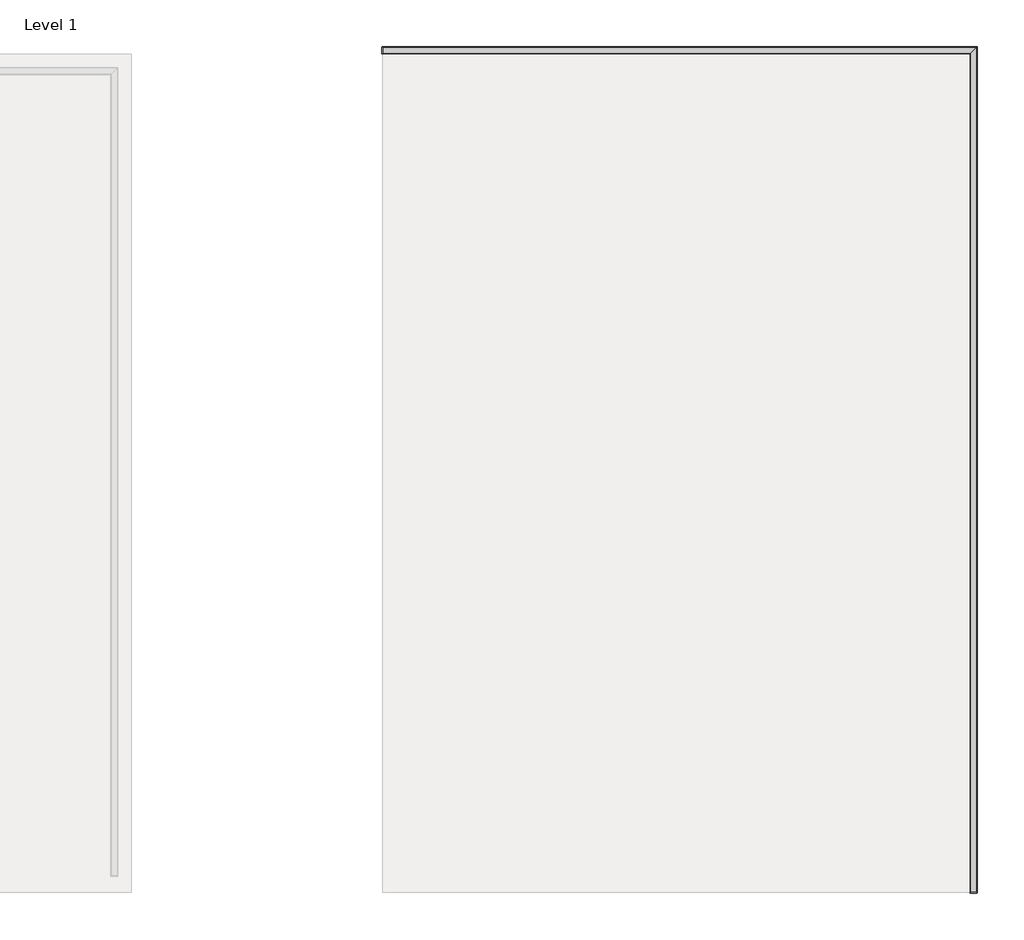
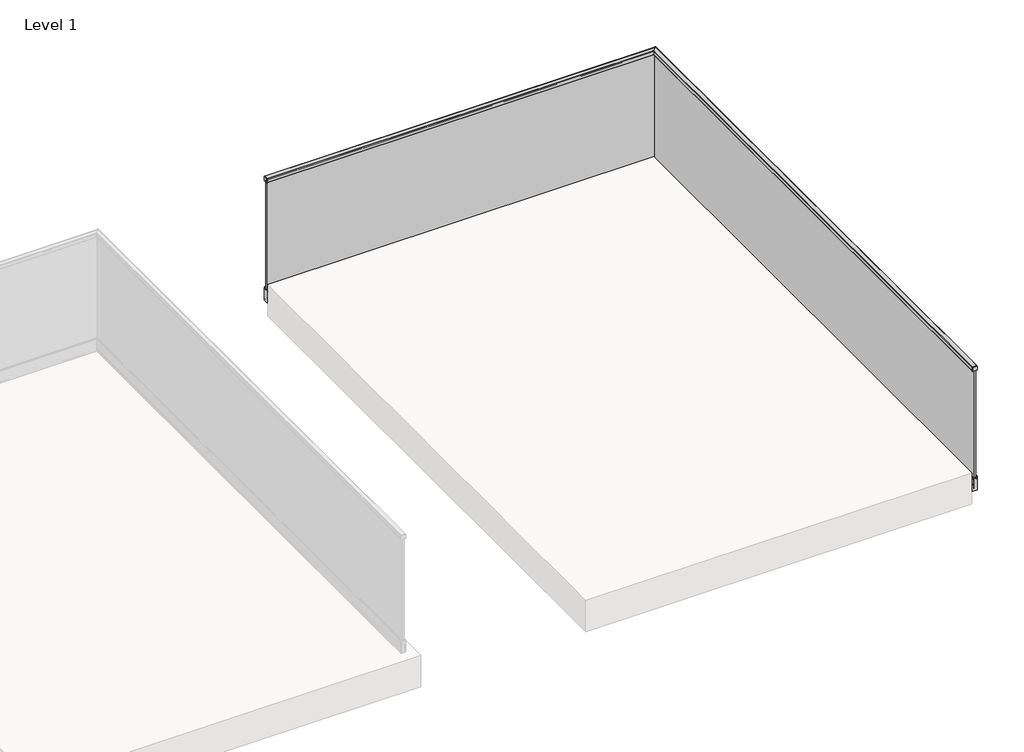
# One storey, part 7 of 11: 1 railing.
"""IFC4 building model written with IfcOpenShell, lengths in millimetres."""

from ifc_helpers import new_model, si_unit, frame, origin, place, context, project, spatial, polyline, circle_curve, ellipse_curve, outline, extrude, faceted_brep, element, save
from ifc_brep_helpers import plane_surface, cylinder_surface, revolved_surface, advanced_brep

model = new_model("IFC4")

# Units and contexts
model_context = context("Model", 3, world=origin())
ifc_project = project(units=[si_unit("LENGTHUNIT", "METRE", prefix="MILLI")], contexts=[model_context])

# Site, building, storey
site = spatial("IfcSite", under=ifc_project)
building = spatial("IfcBuilding", under=site)
storey = spatial("IfcBuildingStorey", under=building, Name="Level 1", Elevation=0.0)

# Railing
placement = place(None, origin())
element("IfcRailing", 1, at=placement, inside=storey, context=model_context, shape_type="SolidModel", body=[
    extrude(outline(polyline([(-35857.8362173, 1011.0), (-35821.8362173, 1011.0), (-35821.8362173, 975.0), (-35823.3362173, 975.0), (-35823.3362173, 1009.5), (-35856.3362173, 1009.5), (-35856.3362173, 975.0), (-35857.8362173, 975.0), (-35857.8362173, 1011.0)])), frame((-8668.5524845, 0.0, 0.0), z_axis=(1.0, 0.0, 0.0), x_axis=(0.0, 1.0, 0.0)), (0.0, 0.0, 1.0), 30.0),
    extrude(outline(polyline([(-8672.5524845, -35859.8362173), (-8672.5524845, -35819.8362173), (-8668.5524845, -35819.8362173), (-8668.5524845, -35859.8362173), (-8672.5524845, -35859.8362173)])), frame((0.0, 0.0, 973.0), z_axis=(0.0, 0.0, 1.0), x_axis=(1.0, 0.0, 0.0)), (0.0, 0.0, 1.0), 40.0),
    extrude(outline(polyline([(1011.0, -5126.0524845), (1011.0, -5162.0524845), (975.0, -5162.0524845), (975.0, -5160.5524845), (1009.5, -5160.5524845), (1009.5, -5127.5524845), (975.0, -5127.5524845), (975.0, -5126.0524845), (1011.0, -5126.0524845)])), frame((0.0, -40864.3362173, 0.0), z_axis=(0.0, 1.0, 0.0), x_axis=(0.0, 0.0, 1.0)), (0.0, 0.0, 1.0), 30.0),
    extrude(outline(polyline([(-5124.0524845, -40868.3362173), (-5164.0524845, -40868.3362173), (-5164.0524845, -40864.3362173), (-5124.0524845, -40864.3362173), (-5124.0524845, -40868.3362173)])), frame((0.0, 0.0, 973.0), z_axis=(0.0, 0.0, 1.0), x_axis=(1.0, 0.0, 0.0)), (0.0, 0.0, 1.0), 40.0),
    advanced_brep(
    [(-5156.0524845, -40864.3362173, 997.0), (-5132.0524845, -40864.3362173, 997.0), (-5132.0524845, -40864.3362173, 974.5), (-5130.5524845, -40864.3362173, 973.0), (-5125.5524845, -40864.3362173, 973.0), (-5124.0524845, -40864.3362173, 974.5), (-5124.0524845, -40864.3362173, 1011.5), (-5125.5524845, -40864.3362173, 1013.0), (-5162.5524845, -40864.3362173, 1013.0), (-5164.0524845, -40864.3362173, 1011.5), (-5164.0524845, -40864.3362173, 974.5), (-5162.5524845, -40864.3362173, 973.0), (-5157.5524845, -40864.3362173, 973.0), (-5156.0524845, -40864.3362173, 974.5), (-5156.0524845, -40863.3362173, 997.0), (-5132.0524845, -40863.3362173, 997.0), (-5132.0524845, -40863.3362173, 974.5), (-5130.5524845, -40863.3362173, 973.0), (-5125.5524845, -40863.3362173, 973.0), (-5124.0524845, -40863.3362173, 974.5), (-5124.0524845, -40863.3362173, 1011.5), (-5125.5524845, -40863.3362173, 1013.0), (-5162.5524845, -40863.3362173, 1013.0), (-5164.0524845, -40863.3362173, 1011.5), (-5164.0524845, -40863.3362173, 974.5), (-5162.5524845, -40863.3362173, 973.0), (-5157.5524845, -40863.3362173, 973.0), (-5156.0524845, -40863.3362173, 974.5), (-5156.0524845, -35851.8362173, 997.0), (-5132.0524845, -35827.8362173, 997.0), (-5132.0524845, -35827.8362173, 974.5), (-5130.5524845, -35826.3362173, 973.0), (-5125.5524845, -35821.3362173, 973.0), (-5124.0524845, -35819.8362173, 974.5), (-5124.0524845, -35819.8362173, 1011.5), (-5125.5524845, -35821.3362173, 1013.0), (-5162.5524845, -35858.3362173, 1013.0), (-5164.0524845, -35859.8362173, 1011.5), (-5164.0524845, -35859.8362173, 974.5), (-5162.5524845, -35858.3362173, 973.0), (-5157.5524845, -35853.3362173, 973.0), (-5156.0524845, -35851.8362173, 974.5), (-8667.5524845, -35851.8362173, 997.0), (-8667.5524845, -35827.8362173, 997.0), (-8667.5524845, -35827.8362173, 974.5), (-8667.5524845, -35826.3362173, 973.0), (-8667.5524845, -35821.3362173, 973.0), (-8667.5524845, -35819.8362173, 974.5), (-8667.5524845, -35819.8362173, 1011.5), (-8667.5524845, -35821.3362173, 1013.0), (-8667.5524845, -35858.3362173, 1013.0), (-8667.5524845, -35859.8362173, 1011.5), (-8667.5524845, -35859.8362173, 974.5), (-8667.5524845, -35858.3362173, 973.0), (-8667.5524845, -35853.3362173, 973.0), (-8667.5524845, -35851.8362173, 974.5), (-8668.5524845, -35851.8362173, 997.0), (-8668.5524845, -35851.8362173, 974.5), (-8668.5524845, -35853.3362173, 973.0), (-8668.5524845, -35858.3362173, 973.0), (-8668.5524845, -35859.8362173, 974.5), (-8668.5524845, -35859.8362173, 1011.5), (-8668.5524845, -35858.3362173, 1013.0), (-8668.5524845, -35821.3362173, 1013.0), (-8668.5524845, -35819.8362173, 1011.5), (-8668.5524845, -35819.8362173, 974.5), (-8668.5524845, -35821.3362173, 973.0), (-8668.5524845, -35826.3362173, 973.0), (-8668.5524845, -35827.8362173, 974.5), (-8668.5524845, -35827.8362173, 997.0)],
    [
        (0, 1),
        (1, 2),
        (2, 3, circle_curve(frame((-5130.5524845, -40864.3362173, 974.5), z_axis=(0.0, -1.0, 0.0), x_axis=(-1.0, 0.0, 0.0)), 1.5)),
        (3, 4),
        (4, 5, circle_curve(frame((-5125.5524845, -40864.3362173, 974.5), z_axis=(0.0, -1.0, 0.0), x_axis=(-1.0, 0.0, 0.0)), 1.5)),
        (5, 6),
        (6, 7, circle_curve(frame((-5125.5524845, -40864.3362173, 1011.5), z_axis=(0.0, -1.0, 0.0), x_axis=(-1.0, 0.0, 0.0)), 1.5)),
        (7, 8),
        (8, 9, circle_curve(frame((-5162.5524845, -40864.3362173, 1011.5), z_axis=(0.0, -1.0, 0.0), x_axis=(-1.0, 0.0, 0.0)), 1.5)),
        (9, 10),
        (10, 11, circle_curve(frame((-5162.5524845, -40864.3362173, 974.5), z_axis=(0.0, -1.0, 0.0), x_axis=(-1.0, 0.0, 0.0)), 1.5)),
        (11, 12),
        (12, 13, circle_curve(frame((-5157.5524845, -40864.3362173, 974.5), z_axis=(0.0, -1.0, 0.0), x_axis=(-1.0, 0.0, 0.0)), 1.5)),
        (13, 0),
        (0, 14),
        (14, 15),
        (15, 1),
        (15, 16),
        (16, 2),
        (16, 17, circle_curve(frame((-5130.5524845, -40863.3362173, 974.5), z_axis=(0.0, -1.0, 0.0), x_axis=(-1.0, 0.0, 0.0)), 1.5)),
        (17, 3),
        (17, 18),
        (18, 4),
        (18, 19, circle_curve(frame((-5125.5524845, -40863.3362173, 974.5), z_axis=(0.0, -1.0, 0.0), x_axis=(-1.0, 0.0, 0.0)), 1.5)),
        (19, 5),
        (19, 20),
        (20, 6),
        (20, 21, circle_curve(frame((-5125.5524845, -40863.3362173, 1011.5), z_axis=(0.0, -1.0, 0.0), x_axis=(-1.0, 0.0, 0.0)), 1.5)),
        (21, 7),
        (21, 22),
        (22, 8),
        (22, 23, circle_curve(frame((-5162.5524845, -40863.3362173, 1011.5), z_axis=(0.0, -1.0, 0.0), x_axis=(-1.0, 0.0, 0.0)), 1.5)),
        (23, 9),
        (23, 24),
        (24, 10),
        (24, 25, circle_curve(frame((-5162.5524845, -40863.3362173, 974.5), z_axis=(0.0, -1.0, 0.0), x_axis=(-1.0, 0.0, 0.0)), 1.5)),
        (25, 11),
        (25, 26),
        (26, 12),
        (26, 27, circle_curve(frame((-5157.5524845, -40863.3362173, 974.5), z_axis=(0.0, -1.0, 0.0), x_axis=(-1.0, 0.0, 0.0)), 1.5)),
        (27, 13),
        (27, 14),
        (14, 28),
        (28, 29),
        (29, 15),
        (29, 30),
        (30, 16),
        (30, 31, ellipse_curve(frame((-5130.5524845, -35826.3362173, 974.5), z_axis=(0.7071067811865475, -0.7071067811865475, 0.0), x_axis=(-0.7071067811865474, -0.7071067811865476, 0.0)), 2.1213203, 1.5)),
        (31, 17),
        (31, 32),
        (32, 18),
        (32, 33, ellipse_curve(frame((-5125.5524845, -35821.3362173, 974.5), z_axis=(0.7071067811865475, -0.7071067811865475, 0.0), x_axis=(-0.7071067811865474, -0.7071067811865476, 0.0)), 2.1213203, 1.5)),
        (33, 19),
        (33, 34),
        (34, 20),
        (34, 35, ellipse_curve(frame((-5125.5524845, -35821.3362173, 1011.5), z_axis=(0.7071067811865475, -0.7071067811865475, 0.0), x_axis=(-0.7071067811865474, -0.7071067811865476, 0.0)), 2.1213203, 1.5)),
        (35, 21),
        (35, 36),
        (36, 22),
        (36, 37, ellipse_curve(frame((-5162.5524845, -35858.3362173, 1011.5), z_axis=(0.7071067811865475, -0.7071067811865475, 0.0), x_axis=(-0.7071067811865474, -0.7071067811865476, 0.0)), 2.1213203, 1.5)),
        (37, 23),
        (37, 38),
        (38, 24),
        (38, 39, ellipse_curve(frame((-5162.5524845, -35858.3362173, 974.5), z_axis=(0.7071067811865475, -0.7071067811865475, 0.0), x_axis=(-0.7071067811865474, -0.7071067811865476, 0.0)), 2.1213203, 1.5)),
        (39, 25),
        (39, 40),
        (40, 26),
        (40, 41, ellipse_curve(frame((-5157.5524845, -35853.3362173, 974.5), z_axis=(0.7071067811865475, -0.7071067811865475, 0.0), x_axis=(-0.7071067811865474, -0.7071067811865476, 0.0)), 2.1213203, 1.5)),
        (41, 27),
        (41, 28),
        (28, 42),
        (42, 43),
        (43, 29),
        (43, 44),
        (44, 30),
        (44, 45, circle_curve(frame((-8667.5524845, -35826.3362173, 974.5), z_axis=(1.0, 0.0, 0.0), x_axis=(0.0, -1.0, 0.0)), 1.5)),
        (45, 31),
        (45, 46),
        (46, 32),
        (46, 47, circle_curve(frame((-8667.5524845, -35821.3362173, 974.5), z_axis=(1.0, 0.0, 0.0), x_axis=(0.0, -1.0, 0.0)), 1.5)),
        (47, 33),
        (47, 48),
        (48, 34),
        (48, 49, circle_curve(frame((-8667.5524845, -35821.3362173, 1011.5), z_axis=(1.0, 0.0, 0.0), x_axis=(0.0, -1.0, 0.0)), 1.5)),
        (49, 35),
        (49, 50),
        (50, 36),
        (50, 51, circle_curve(frame((-8667.5524845, -35858.3362173, 1011.5), z_axis=(1.0, 0.0, 0.0), x_axis=(0.0, -1.0, 0.0)), 1.5)),
        (51, 37),
        (51, 52),
        (52, 38),
        (52, 53, circle_curve(frame((-8667.5524845, -35858.3362173, 974.5), z_axis=(1.0, 0.0, 0.0), x_axis=(0.0, -1.0, 0.0)), 1.5)),
        (53, 39),
        (53, 54),
        (54, 40),
        (54, 55, circle_curve(frame((-8667.5524845, -35853.3362173, 974.5), z_axis=(1.0, 0.0, 0.0), x_axis=(0.0, -1.0, 0.0)), 1.5)),
        (55, 41),
        (55, 42),
        (56, 57),
        (57, 58, circle_curve(frame((-8668.5524845, -35853.3362173, 974.5), z_axis=(-1.0, 0.0, 0.0), x_axis=(0.0, -1.0, 0.0)), 1.5)),
        (58, 59),
        (59, 60, circle_curve(frame((-8668.5524845, -35858.3362173, 974.5), z_axis=(-1.0, 0.0, 0.0), x_axis=(0.0, -1.0, 0.0)), 1.5)),
        (60, 61),
        (61, 62, circle_curve(frame((-8668.5524845, -35858.3362173, 1011.5), z_axis=(-1.0, 0.0, 0.0), x_axis=(0.0, -1.0, 0.0)), 1.5)),
        (62, 63),
        (63, 64, circle_curve(frame((-8668.5524845, -35821.3362173, 1011.5), z_axis=(-1.0, 0.0, 0.0), x_axis=(0.0, -1.0, 0.0)), 1.5)),
        (64, 65),
        (65, 66, circle_curve(frame((-8668.5524845, -35821.3362173, 974.5), z_axis=(-1.0, 0.0, 0.0), x_axis=(0.0, -1.0, 0.0)), 1.5)),
        (66, 67),
        (67, 68, circle_curve(frame((-8668.5524845, -35826.3362173, 974.5), z_axis=(-1.0, 0.0, 0.0), x_axis=(0.0, -1.0, 0.0)), 1.5)),
        (68, 69),
        (69, 56),
        (42, 56),
        (69, 43),
        (68, 44),
        (67, 45),
        (66, 46),
        (65, 47),
        (64, 48),
        (63, 49),
        (62, 50),
        (61, 51),
        (60, 52),
        (59, 53),
        (58, 54),
        (57, 55),
    ],
    [
        plane_surface(frame((-5144.0524845, -40864.3362173, 997.0), z_axis=(0.0, -1.0, 0.0), x_axis=(0.0, 0.0, 1.0))),
        plane_surface(frame((-5156.0524845, -40864.3362173, 997.0), z_axis=(0.0, 0.0, -1.0), x_axis=(0.0, 1.0, 0.0))),
        plane_surface(frame((-5132.0524845, -40864.3362173, 997.0), z_axis=(-1.0, 0.0, 0.0), x_axis=(0.0, 1.0, 0.0))),
        cylinder_surface(frame((-5130.5524845, -40864.3362173, 974.5), z_axis=(0.0, -1.0, 0.0), x_axis=(-1.0, 0.0, 0.0)), 1.5),
        plane_surface(frame((-5130.5524845, -40864.3362173, 973.0), z_axis=(0.0, 0.0, -1.0), x_axis=(0.0, 1.0, 0.0))),
        cylinder_surface(frame((-5125.5524845, -40864.3362173, 974.5), z_axis=(0.0, -1.0, 0.0), x_axis=(-1.0, 0.0, 0.0)), 1.5),
        plane_surface(frame((-5124.0524845, -40864.3362173, 974.5), z_axis=(1.0, 0.0, 0.0), x_axis=(0.0, 1.0, 0.0))),
        cylinder_surface(frame((-5125.5524845, -40864.3362173, 1011.5), z_axis=(0.0, -1.0, 0.0), x_axis=(-1.0, 0.0, 0.0)), 1.5),
        plane_surface(frame((-5125.5524845, -40864.3362173, 1013.0), z_axis=(0.0, 0.0, 1.0), x_axis=(0.0, 1.0, 0.0))),
        cylinder_surface(frame((-5162.5524845, -40864.3362173, 1011.5), z_axis=(0.0, -1.0, 0.0), x_axis=(-1.0, 0.0, 0.0)), 1.5),
        plane_surface(frame((-5164.0524845, -40864.3362173, 1011.5), z_axis=(-1.0, 0.0, 0.0), x_axis=(0.0, 1.0, 0.0))),
        cylinder_surface(frame((-5162.5524845, -40864.3362173, 974.5), z_axis=(0.0, -1.0, 0.0), x_axis=(-1.0, 0.0, 0.0)), 1.5),
        plane_surface(frame((-5162.5524845, -40864.3362173, 973.0), z_axis=(0.0, 0.0, -1.0), x_axis=(0.0, 1.0, 0.0))),
        cylinder_surface(frame((-5157.5524845, -40864.3362173, 974.5), z_axis=(0.0, -1.0, 0.0), x_axis=(-1.0, 0.0, 0.0)), 1.5),
        plane_surface(frame((-5156.0524845, -40864.3362173, 974.5), z_axis=(1.0, 0.0, 0.0), x_axis=(0.0, 1.0, 0.0))),
        plane_surface(frame((-5156.0524845, -40863.3362173, 997.0), z_axis=(0.0, 0.0, -1.0), x_axis=(0.0, 1.0, 0.0))),
        plane_surface(frame((-5132.0524845, -40863.3362173, 997.0), z_axis=(-1.0, 0.0, 0.0), x_axis=(0.0, 1.0, 0.0))),
        cylinder_surface(frame((-5130.5524845, -40863.3362173, 974.5), z_axis=(0.0, -1.0, 0.0), x_axis=(-1.0, 0.0, 0.0)), 1.5),
        plane_surface(frame((-5130.5524845, -40863.3362173, 973.0), z_axis=(0.0, 0.0, -1.0), x_axis=(0.0, 1.0, 0.0))),
        cylinder_surface(frame((-5125.5524845, -40863.3362173, 974.5), z_axis=(0.0, -1.0, 0.0), x_axis=(-1.0, 0.0, 0.0)), 1.5),
        plane_surface(frame((-5124.0524845, -40863.3362173, 974.5), z_axis=(1.0, 0.0, 0.0), x_axis=(0.0, 1.0, 0.0))),
        cylinder_surface(frame((-5125.5524845, -40863.3362173, 1011.5), z_axis=(0.0, -1.0, 0.0), x_axis=(-1.0, 0.0, 0.0)), 1.5),
        plane_surface(frame((-5125.5524845, -40863.3362173, 1013.0), z_axis=(0.0, 0.0, 1.0), x_axis=(0.0, 1.0, 0.0))),
        cylinder_surface(frame((-5162.5524845, -40863.3362173, 1011.5), z_axis=(0.0, -1.0, 0.0), x_axis=(-1.0, 0.0, 0.0)), 1.5),
        plane_surface(frame((-5164.0524845, -40863.3362173, 1011.5), z_axis=(-1.0, 0.0, 0.0), x_axis=(0.0, 1.0, 0.0))),
        cylinder_surface(frame((-5162.5524845, -40863.3362173, 974.5), z_axis=(0.0, -1.0, 0.0), x_axis=(-1.0, 0.0, 0.0)), 1.5),
        plane_surface(frame((-5162.5524845, -40863.3362173, 973.0), z_axis=(0.0, 0.0, -1.0), x_axis=(0.0, 1.0, 0.0))),
        cylinder_surface(frame((-5157.5524845, -40863.3362173, 974.5), z_axis=(0.0, -1.0, 0.0), x_axis=(-1.0, 0.0, 0.0)), 1.5),
        plane_surface(frame((-5156.0524845, -40863.3362173, 974.5), z_axis=(1.0, 0.0, 0.0), x_axis=(0.0, 1.0, 0.0))),
        plane_surface(frame((-5156.0524845, -35851.8362173, 997.0), z_axis=(0.0, 0.0, -1.0), x_axis=(-1.0, 0.0, 0.0))),
        plane_surface(frame((-5132.0524845, -35827.8362173, 997.0), z_axis=(0.0, -1.0, 0.0), x_axis=(-1.0, 0.0, 0.0))),
        cylinder_surface(frame((-5144.0524845, -35826.3362173, 974.5), z_axis=(1.0, 0.0, 0.0), x_axis=(0.0, -1.0, 0.0)), 1.5),
        plane_surface(frame((-5130.5524845, -35826.3362173, 973.0), z_axis=(0.0, 0.0, -1.0), x_axis=(-1.0, 0.0, 0.0))),
        cylinder_surface(frame((-5144.0524845, -35821.3362173, 974.5), z_axis=(1.0, 0.0, 0.0), x_axis=(0.0, -1.0, 0.0)), 1.5),
        plane_surface(frame((-5124.0524845, -35819.8362173, 974.5), z_axis=(0.0, 1.0, 0.0), x_axis=(-1.0, 0.0, 0.0))),
        cylinder_surface(frame((-5144.0524845, -35821.3362173, 1011.5), z_axis=(1.0, 0.0, 0.0), x_axis=(0.0, -1.0, 0.0)), 1.5),
        plane_surface(frame((-5125.5524845, -35821.3362173, 1013.0), z_axis=(0.0, 0.0, 1.0), x_axis=(-1.0, 0.0, 0.0))),
        cylinder_surface(frame((-5144.0524845, -35858.3362173, 1011.5), z_axis=(1.0, 0.0, 0.0), x_axis=(0.0, -1.0, 0.0)), 1.5),
        plane_surface(frame((-5164.0524845, -35859.8362173, 1011.5), z_axis=(0.0, -1.0, 0.0), x_axis=(-1.0, 0.0, 0.0))),
        cylinder_surface(frame((-5144.0524845, -35858.3362173, 974.5), z_axis=(1.0, 0.0, 0.0), x_axis=(0.0, -1.0, 0.0)), 1.5),
        plane_surface(frame((-5162.5524845, -35858.3362173, 973.0), z_axis=(0.0, 0.0, -1.0), x_axis=(-1.0, 0.0, 0.0))),
        cylinder_surface(frame((-5144.0524845, -35853.3362173, 974.5), z_axis=(1.0, 0.0, 0.0), x_axis=(0.0, -1.0, 0.0)), 1.5),
        plane_surface(frame((-5156.0524845, -35851.8362173, 974.5), z_axis=(0.0, 1.0, 0.0), x_axis=(-1.0, 0.0, 0.0))),
        plane_surface(frame((-8668.5524845, -35839.8362173, 997.0), z_axis=(-1.0, 0.0, 0.0), x_axis=(0.0, -1.0, 0.0))),
        plane_surface(frame((-8667.5524845, -35851.8362173, 997.0), z_axis=(0.0, 0.0, -1.0), x_axis=(-1.0, 0.0, 0.0))),
        plane_surface(frame((-8667.5524845, -35827.8362173, 997.0), z_axis=(0.0, -1.0, 0.0), x_axis=(-1.0, 0.0, 0.0))),
        cylinder_surface(frame((-8667.5524845, -35826.3362173, 974.5), z_axis=(1.0, 0.0, 0.0), x_axis=(0.0, -1.0, 0.0)), 1.5),
        plane_surface(frame((-8667.5524845, -35826.3362173, 973.0), z_axis=(0.0, 0.0, -1.0), x_axis=(-1.0, 0.0, 0.0))),
        cylinder_surface(frame((-8667.5524845, -35821.3362173, 974.5), z_axis=(1.0, 0.0, 0.0), x_axis=(0.0, -1.0, 0.0)), 1.5),
        plane_surface(frame((-8667.5524845, -35819.8362173, 974.5), z_axis=(0.0, 1.0, 0.0), x_axis=(-1.0, 0.0, 0.0))),
        cylinder_surface(frame((-8667.5524845, -35821.3362173, 1011.5), z_axis=(1.0, 0.0, 0.0), x_axis=(0.0, -1.0, 0.0)), 1.5),
        plane_surface(frame((-8667.5524845, -35821.3362173, 1013.0), z_axis=(0.0, 0.0, 1.0), x_axis=(-1.0, 0.0, 0.0))),
        cylinder_surface(frame((-8667.5524845, -35858.3362173, 1011.5), z_axis=(1.0, 0.0, 0.0), x_axis=(0.0, -1.0, 0.0)), 1.5),
        plane_surface(frame((-8667.5524845, -35859.8362173, 1011.5), z_axis=(0.0, -1.0, 0.0), x_axis=(-1.0, 0.0, 0.0))),
        cylinder_surface(frame((-8667.5524845, -35858.3362173, 974.5), z_axis=(1.0, 0.0, 0.0), x_axis=(0.0, -1.0, 0.0)), 1.5),
        plane_surface(frame((-8667.5524845, -35858.3362173, 973.0), z_axis=(0.0, 0.0, -1.0), x_axis=(-1.0, 0.0, 0.0))),
        cylinder_surface(frame((-8667.5524845, -35853.3362173, 974.5), z_axis=(1.0, 0.0, 0.0), x_axis=(0.0, -1.0, 0.0)), 1.5),
        plane_surface(frame((-8667.5524845, -35851.8362173, 974.5), z_axis=(0.0, 1.0, 0.0), x_axis=(-1.0, 0.0, 0.0))),
    ],
    [
        (0, [[1, 2, 3, 4, 5, 6, 7, 8, 9, 10, 11, 12, 13, 14]]),
        (1, [[-1, 15, 16, 17]]),
        (2, [[-2, -17, 18, 19]]),
        (3, [[-3, -19, 20, 21]]),
        (4, [[-4, -21, 22, 23]]),
        (5, [[-5, -23, 24, 25]]),
        (6, [[-6, -25, 26, 27]]),
        (7, [[-7, -27, 28, 29]]),
        (8, [[-8, -29, 30, 31]]),
        (9, [[-9, -31, 32, 33]]),
        (10, [[-10, -33, 34, 35]]),
        (11, [[-11, -35, 36, 37]]),
        (12, [[-12, -37, 38, 39]]),
        (13, [[-13, -39, 40, 41]]),
        (14, [[-14, -41, 42, -15]]),
        (15, [[-16, 43, 44, 45]]),
        (16, [[-18, -45, 46, 47]]),
        (17, [[-20, -47, 48, 49]]),
        (18, [[-22, -49, 50, 51]]),
        (19, [[-24, -51, 52, 53]]),
        (20, [[-26, -53, 54, 55]]),
        (21, [[-28, -55, 56, 57]]),
        (22, [[-30, -57, 58, 59]]),
        (23, [[-32, -59, 60, 61]]),
        (24, [[-34, -61, 62, 63]]),
        (25, [[-36, -63, 64, 65]]),
        (26, [[-38, -65, 66, 67]]),
        (27, [[-40, -67, 68, 69]]),
        (28, [[-42, -69, 70, -43]]),
        (29, [[-44, 71, 72, 73]]),
        (30, [[-46, -73, 74, 75]]),
        (31, [[-48, -75, 76, 77]]),
        (32, [[-50, -77, 78, 79]]),
        (33, [[-52, -79, 80, 81]]),
        (34, [[-54, -81, 82, 83]]),
        (35, [[-56, -83, 84, 85]]),
        (36, [[-58, -85, 86, 87]]),
        (37, [[-60, -87, 88, 89]]),
        (38, [[-62, -89, 90, 91]]),
        (39, [[-64, -91, 92, 93]]),
        (40, [[-66, -93, 94, 95]]),
        (41, [[-68, -95, 96, 97]]),
        (42, [[-70, -97, 98, -71]]),
        (43, [[99, 100, 101, 102, 103, 104, 105, 106, 107, 108, 109, 110, 111, 112]]),
        (44, [[-72, 113, -112, 114]]),
        (45, [[-74, -114, -111, 115]]),
        (46, [[-76, -115, -110, 116]]),
        (47, [[-78, -116, -109, 117]]),
        (48, [[-80, -117, -108, 118]]),
        (49, [[-82, -118, -107, 119]]),
        (50, [[-84, -119, -106, 120]]),
        (51, [[-86, -120, -105, 121]]),
        (52, [[-88, -121, -104, 122]]),
        (53, [[-90, -122, -103, 123]]),
        (54, [[-92, -123, -102, 124]]),
        (55, [[-94, -124, -101, 125]]),
        (56, [[-96, -125, -100, 126]]),
        (57, [[-98, -126, -99, -113]]),
    ],
),
    faceted_brep([(-5135.2924845, -40863.3362173, 993.0), (-5152.8124845, -40863.3362173, 993.0), (-5152.8124845, -40863.3362173, -157.0), (-5135.2924845, -40863.3362173, -157.0), (-5135.2924845, -35831.0762173, 993.0), (-5152.8124845, -35848.5962173, 993.0), (-5152.8124845, -35848.5962173, -157.0), (-5135.2924845, -35831.0762173, -157.0), (-8667.5524845, -35831.0762173, 993.0), (-8667.5524845, -35831.0762173, -157.0), (-8667.5524845, -35848.5962173, -157.0), (-8667.5524845, -35848.5962173, 993.0)], [[[0, 1, 2, 3]], [[1, 0, 4, 5]], [[2, 1, 5, 6]], [[3, 2, 6, 7]], [[0, 3, 7, 4]], [[8, 9, 10, 11]], [[5, 4, 8, 11]], [[6, 5, 11, 10]], [[7, 6, 10, 9]], [[4, 7, 9, 8]]]),
    faceted_brep([(-5156.5524845, -40863.3362173, -160.0), (-5156.5524845, -40863.3362173, -140.0), (-5160.5905785, -40863.3362173, -50.0), (-5166.4524845, -40863.3362173, -50.0), (-5167.5524845, -40863.3362173, -51.1), (-5167.5524845, -40863.3362173, -69.1), (-5165.0524845, -40863.3362173, -71.6), (-5165.0524845, -40863.3362173, -88.0), (-5167.5524845, -40863.3362173, -90.5), (-5167.5524845, -40863.3362173, -129.5), (-5165.0524845, -40863.3362173, -132.0), (-5165.0524845, -40863.3362173, -148.0), (-5167.5524845, -40863.3362173, -150.5), (-5167.5524845, -40863.3362173, -170.0), (-5122.5524844, -40863.3362173, -170.0), (-5122.5524844, -40863.3362173, -168.0), (-5126.8024844, -40863.3362173, -167.4027015), (-5126.8024844, -40863.3362173, -165.7499556), (-5123.0524844, -40863.3362173, -165.7499556), (-5123.0524844, -40863.3362173, -49.0), (-5124.0524844, -40863.3362173, -49.0), (-5125.0524844, -40863.3362173, -50.0), (-5128.7524845, -40863.3362173, -50.0), (-5128.7524845, -40863.3362173, -70.0), (-5127.7524845, -40863.3362173, -70.5773503), (-5131.5524845, -40863.3362173, -93.5), (-5131.5524845, -40863.3362173, -160.0), (-8667.5524845, -35852.3362173, -160.0), (-8667.5524845, -35827.3362173, -160.0), (-8667.5524845, -35827.3362173, -93.5), (-8667.5524845, -35823.5362173, -70.5773503), (-8667.5524845, -35824.5362173, -70.0), (-8667.5524845, -35824.5362173, -50.0), (-8667.5524845, -35820.8362172, -50.0), (-8667.5524845, -35819.8362172, -49.0), (-8667.5524845, -35818.8362172, -49.0), (-8667.5524845, -35818.8362172, -165.7499556), (-8667.5524845, -35822.5862172, -165.7499556), (-8667.5524845, -35822.5862172, -167.4027015), (-8667.5524845, -35818.3362172, -168.0), (-8667.5524845, -35818.3362172, -170.0), (-8667.5524845, -35863.3362173, -170.0), (-8667.5524845, -35863.3362173, -150.5), (-8667.5524845, -35860.8362173, -148.0), (-8667.5524845, -35860.8362173, -132.0), (-8667.5524845, -35863.3362173, -129.5), (-8667.5524845, -35863.3362173, -90.5), (-8667.5524845, -35860.8362173, -88.0), (-8667.5524845, -35860.8362173, -71.6), (-8667.5524845, -35863.3362173, -69.1), (-8667.5524845, -35863.3362173, -51.1), (-8667.5524845, -35862.2362173, -50.0), (-8667.5524845, -35856.3743114, -50.0), (-8667.5524845, -35852.3362173, -140.0), (-5156.5524845, -35852.3362173, -160.0), (-5156.5524845, -35852.3362173, -140.0), (-5160.5905785, -35856.3743114, -50.0), (-5166.4524845, -35862.2362173, -50.0), (-5167.5524845, -35863.3362173, -51.1), (-5167.5524845, -35863.3362173, -69.1), (-5165.0524845, -35860.8362173, -71.6), (-5165.0524845, -35860.8362173, -88.0), (-5167.5524845, -35863.3362173, -90.5), (-5167.5524845, -35863.3362173, -129.5), (-5165.0524845, -35860.8362173, -132.0), (-5165.0524845, -35860.8362173, -148.0), (-5167.5524845, -35863.3362173, -150.5), (-5167.5524845, -35863.3362173, -170.0), (-5122.5524844, -35818.3362172, -170.0), (-5122.5524844, -35818.3362172, -168.0), (-5126.8024844, -35822.5862172, -167.4027015), (-5126.8024844, -35822.5862172, -165.7499556), (-5123.0524844, -35818.8362172, -165.7499556), (-5123.0524844, -35818.8362172, -49.0), (-5124.0524844, -35819.8362172, -49.0), (-5125.0524844, -35820.8362172, -50.0), (-5128.7524845, -35824.5362173, -50.0), (-5128.7524845, -35824.5362173, -70.0), (-5127.7524845, -35823.5362173, -70.5773503), (-5131.5524845, -35827.3362173, -93.5), (-5131.5524845, -35827.3362173, -160.0)], [[[0, 1, 2, 3, 4, 5, 6, 7, 8, 9, 10, 11, 12, 13, 14, 15, 16, 17, 18, 19, 20, 21, 22, 23, 24, 25, 26]], [[27, 28, 29, 30, 31, 32, 33, 34, 35, 36, 37, 38, 39, 40, 41, 42, 43, 44, 45, 46, 47, 48, 49, 50, 51, 52, 53]], [[1, 0, 54, 55]], [[2, 1, 55, 56]], [[3, 2, 56, 57]], [[4, 3, 57, 58]], [[5, 4, 58, 59]], [[6, 5, 59, 60]], [[7, 6, 60, 61]], [[8, 7, 61, 62]], [[9, 8, 62, 63]], [[10, 9, 63, 64]], [[11, 10, 64, 65]], [[12, 11, 65, 66]], [[13, 12, 66, 67]], [[14, 13, 67, 68]], [[15, 14, 68, 69]], [[16, 15, 69, 70]], [[17, 16, 70, 71]], [[18, 17, 71, 72]], [[19, 18, 72, 73]], [[20, 19, 73, 74]], [[22, 21, 75, 76]], [[23, 22, 76, 77]], [[24, 23, 77, 78]], [[25, 24, 78, 79]], [[26, 25, 79, 80]], [[0, 26, 80, 54]], [[55, 54, 27, 53]], [[56, 55, 53, 52]], [[57, 56, 52, 51]], [[58, 57, 51, 50]], [[59, 58, 50, 49]], [[60, 59, 49, 48]], [[61, 60, 48, 47]], [[62, 61, 47, 46]], [[63, 62, 46, 45]], [[64, 63, 45, 44]], [[65, 64, 44, 43]], [[66, 65, 43, 42]], [[67, 66, 42, 41]], [[68, 67, 41, 40]], [[69, 68, 40, 39]], [[70, 69, 39, 38]], [[71, 70, 38, 37]], [[72, 71, 37, 36]], [[73, 72, 36, 35]], [[74, 73, 35, 34]], [[76, 75, 33, 32]], [[77, 76, 32, 31]], [[78, 77, 31, 30]], [[79, 78, 30, 29]], [[80, 79, 29, 28]], [[54, 80, 28, 27]], [[21, 20, 74, 75]], [[75, 74, 34, 33]]]),
    advanced_brep(
    [(-5132.7524845, -40863.3362173, -159.8), (-5131.7524845, -40863.3362173, -158.8), (-5131.7524845, -40863.3362173, -93.4835349), (-5127.9724455, -40863.3362173, -70.6812958), (-5128.9524845, -40863.3362173, -70.1154701), (-5128.9524845, -40863.3362173, -49.085069), (-5132.6283203, -40863.3362173, -46.9175211), (-5133.5024845, -40863.3362173, -47.2491854), (-5133.5024845, -40863.3362173, -158.0), (-5154.3654461, -40863.3362173, -158.0), (-5154.6509663, -40863.3362173, -159.8), (-8667.5524845, -35828.5362173, -159.8), (-8667.5524845, -35850.4346992, -159.8), (-8667.5524845, -35850.149179, -158.0), (-8667.5524845, -35829.2862173, -158.0), (-8667.5524845, -35829.2862173, -47.2491854), (-8667.5524845, -35828.4120532, -46.9175211), (-8667.5524845, -35824.7362173, -49.085069), (-8667.5524845, -35824.7362173, -70.1154701), (-8667.5524845, -35823.7561784, -70.6812958), (-8667.5524845, -35827.5362173, -93.4835349), (-8667.5524845, -35827.5362173, -158.8), (-5132.7524845, -35828.5362173, -159.8), (-5131.7524845, -35827.5362173, -158.8), (-5131.7524845, -35827.5362173, -93.4835349), (-5127.9724455, -35823.7561784, -70.6812958), (-5128.9524845, -35824.7362173, -70.1154701), (-5128.9524845, -35824.7362173, -49.085069), (-5132.6283203, -35828.4120532, -46.9175211), (-5133.5024845, -35829.2862173, -47.2491854), (-5133.5024845, -35829.2862173, -158.0), (-5154.3654461, -35850.149179, -158.0), (-5154.6509663, -35850.4346992, -159.8)],
    [
        (0, 1, circle_curve(frame((-5132.7524845, -40863.3362173, -158.8), z_axis=(0.0, -1.0, 0.0), x_axis=(1.0, 0.0, 0.0)), 1.0)),
        (1, 2),
        (2, 3),
        (3, 4),
        (4, 5),
        (5, 6, circle_curve(frame((-5127.4387724, -40863.3362173, -42.3174336), z_axis=(0.0, 1.0, 0.0), x_axis=(1.0, 0.0, 0.0)), 6.9348549)),
        (6, 7, circle_curve(frame((-5133.0024845, -40863.3362173, -47.2491854), z_axis=(0.0, -1.0, 0.0), x_axis=(1.0, 0.0, 0.0)), 0.5)),
        (7, 8),
        (8, 9),
        (9, 10, circle_curve(frame((-5153.9940214, -40863.3362173, -158.9815612), z_axis=(0.0, -1.0, 0.0), x_axis=(1.0, 0.0, 0.0)), 1.049485)),
        (10, 0),
        (11, 12),
        (12, 13, circle_curve(frame((-8667.5524845, -35849.7777543, -158.9815612), z_axis=(-1.0, 0.0, 0.0), x_axis=(0.0, 1.0, 0.0)), 1.049485)),
        (13, 14),
        (14, 15),
        (15, 16, circle_curve(frame((-8667.5524845, -35828.7862173, -47.2491854), z_axis=(-1.0, 0.0, 0.0), x_axis=(0.0, 1.0, 0.0)), 0.5)),
        (16, 17, circle_curve(frame((-8667.5524845, -35823.2225052, -42.3174336), z_axis=(1.0, 0.0, 0.0), x_axis=(0.0, 1.0, 0.0)), 6.9348549)),
        (17, 18),
        (18, 19),
        (19, 20),
        (20, 21),
        (21, 11, circle_curve(frame((-8667.5524845, -35828.5362173, -158.8), z_axis=(-1.0, 0.0, 0.0), x_axis=(0.0, 1.0, 0.0)), 1.0)),
        (0, 22),
        (22, 23, ellipse_curve(frame((-5132.7524845, -35828.5362173, -158.8), z_axis=(0.7071067811865475, -0.7071067811865475, 0.0), x_axis=(-0.7071067811865474, -0.7071067811865476, 0.0)), 1.4142136, 1.0)),
        (23, 1),
        (23, 24),
        (24, 2),
        (24, 25),
        (25, 3),
        (25, 26),
        (26, 4),
        (26, 27),
        (27, 5),
        (27, 28, ellipse_curve(frame((-5127.4387724, -35823.2225052, -42.3174336), z_axis=(-0.7071067811865475, 0.7071067811865475, 0.0), x_axis=(0.7071067811865474, 0.7071067811865476, 0.0)), 9.8073659, 6.9348549)),
        (28, 6),
        (28, 29, ellipse_curve(frame((-5133.0024845, -35828.7862173, -47.2491854), z_axis=(0.7071067811865475, -0.7071067811865475, 0.0), x_axis=(-0.7071067811865474, -0.7071067811865476, 0.0)), 0.7071068, 0.5)),
        (29, 7),
        (29, 30),
        (30, 8),
        (30, 31),
        (31, 9),
        (31, 32, ellipse_curve(frame((-5153.9940214, -35849.7777543, -158.9815612), z_axis=(0.7071067811865475, -0.7071067811865475, 0.0), x_axis=(-0.7071067811865474, -0.7071067811865476, 0.0)), 1.4841959, 1.049485)),
        (32, 10),
        (32, 22),
        (22, 11),
        (21, 23),
        (20, 24),
        (19, 25),
        (18, 26),
        (17, 27),
        (16, 28),
        (15, 29),
        (14, 30),
        (13, 31),
        (12, 32),
    ],
    [
        plane_surface(frame((-5144.0524845, -40863.3362173, -170.0), z_axis=(0.0, -1.0, 0.0), x_axis=(0.0, 0.0, 1.0))),
        plane_surface(frame((-8667.5524845, -35839.8362173, -170.0), z_axis=(-1.0, 0.0, 0.0), x_axis=(0.0, -1.0, 0.0))),
        cylinder_surface(frame((-5132.7524845, -40863.3362173, -158.8), z_axis=(0.0, -1.0, 0.0), x_axis=(1.0, 0.0, 0.0)), 1.0),
        plane_surface(frame((-5131.7524845, -40863.3362173, -158.8), z_axis=(1.0, 0.0, 0.0), x_axis=(0.0, 1.0, 0.0))),
        plane_surface(frame((-5131.7524845, -40863.3362173, -93.4835349), z_axis=(0.9865362159973996, 0.0, -0.16354294397965363), x_axis=(0.0, 1.0, 0.0))),
        plane_surface(frame((-5127.9724455, -40863.3362173, -70.6812958), z_axis=(0.4999999999996261, 0.0, 0.8660254037846546), x_axis=(0.0, 1.0, 0.0))),
        plane_surface(frame((-5128.9524845, -40863.3362173, -70.1154701), z_axis=(1.0, 0.0, 0.0), x_axis=(0.0, 1.0, 0.0))),
        revolved_surface(polyline([(-5120.5039175, -35816.28765026653, -42.3174336), (-5120.5039175, -40863.3362173, -42.3174336)]), (-5127.4387724, -40863.3362173, -42.3174336), (0.0, 1.0, 0.0)),
        cylinder_surface(frame((-5133.0024845, -40863.3362173, -47.2491854), z_axis=(0.0, -1.0, 0.0), x_axis=(1.0, 0.0, 0.0)), 0.5),
        plane_surface(frame((-5133.5024845, -40863.3362173, -47.2491854), z_axis=(-1.0, 0.0, 0.0), x_axis=(0.0, 1.0, 0.0))),
        plane_surface(frame((-5133.5024845, -40863.3362173, -158.0), z_axis=(0.0, 0.0, 1.0), x_axis=(0.0, 1.0, 0.0))),
        cylinder_surface(frame((-5153.9940214, -40863.3362173, -158.9815612), z_axis=(0.0, -1.0, 0.0), x_axis=(1.0, 0.0, 0.0)), 1.049485),
        plane_surface(frame((-5154.6509663, -40863.3362173, -159.8), z_axis=(0.0, 0.0, -1.0), x_axis=(0.0, 1.0, 0.0))),
        cylinder_surface(frame((-5144.0524845, -35828.5362173, -158.8), z_axis=(1.0, 0.0, 0.0), x_axis=(0.0, 1.0, 0.0)), 1.0),
        plane_surface(frame((-5131.7524845, -35827.5362173, -158.8), z_axis=(0.0, 1.0, 0.0), x_axis=(-1.0, 0.0, 0.0))),
        plane_surface(frame((-5131.7524845, -35827.5362173, -93.4835349), z_axis=(0.0, 0.9865362159973996, -0.16354294397965363), x_axis=(-1.0, 0.0, 0.0))),
        plane_surface(frame((-5127.9724455, -35823.7561784, -70.6812958), z_axis=(0.0, 0.4999999999996261, 0.8660254037846546), x_axis=(-1.0, 0.0, 0.0))),
        plane_surface(frame((-5128.9524845, -35824.7362173, -70.1154701), z_axis=(0.0, 1.0, 0.0), x_axis=(-1.0, 0.0, 0.0))),
        revolved_surface(polyline([(-8667.5524845, -35816.2876503, -42.3174336), (-5120.503917466533, -35816.2876503, -42.3174336)]), (-5144.0524845, -35823.2225052, -42.3174336), (-1.0, 0.0, 0.0)),
        cylinder_surface(frame((-5144.0524845, -35828.7862173, -47.2491854), z_axis=(1.0, 0.0, 0.0), x_axis=(0.0, 1.0, 0.0)), 0.5),
        plane_surface(frame((-5133.5024845, -35829.2862173, -47.2491854), z_axis=(0.0, -1.0, 0.0), x_axis=(-1.0, 0.0, 0.0))),
        plane_surface(frame((-5133.5024845, -35829.2862173, -158.0), z_axis=(0.0, 0.0, 1.0), x_axis=(-1.0, 0.0, 0.0))),
        cylinder_surface(frame((-5144.0524845, -35849.7777543, -158.9815612), z_axis=(1.0, 0.0, 0.0), x_axis=(0.0, 1.0, 0.0)), 1.049485),
        plane_surface(frame((-5154.6509663, -35850.4346992, -159.8), z_axis=(0.0, 0.0, -1.0), x_axis=(-1.0, 0.0, 0.0))),
    ],
    [
        (0, [[1, 2, 3, 4, 5, 6, 7, 8, 9, 10, 11]]),
        (1, [[12, 13, 14, 15, 16, 17, 18, 19, 20, 21, 22]]),
        (2, [[-1, 23, 24, 25]]),
        (3, [[-2, -25, 26, 27]]),
        (4, [[-3, -27, 28, 29]]),
        (5, [[-4, -29, 30, 31]]),
        (6, [[-5, -31, 32, 33]]),
        (7, [[-6, -33, 34, 35]]),
        (8, [[-7, -35, 36, 37]]),
        (9, [[-8, -37, 38, 39]]),
        (10, [[-9, -39, 40, 41]]),
        (11, [[-10, -41, 42, 43]]),
        (12, [[-11, -43, 44, -23]]),
        (13, [[-24, 45, -22, 46]]),
        (14, [[-26, -46, -21, 47]]),
        (15, [[-28, -47, -20, 48]]),
        (16, [[-30, -48, -19, 49]]),
        (17, [[-32, -49, -18, 50]]),
        (18, [[-34, -50, -17, 51]]),
        (19, [[-36, -51, -16, 52]]),
        (20, [[-38, -52, -15, 53]]),
        (21, [[-40, -53, -14, 54]]),
        (22, [[-42, -54, -13, 55]]),
        (23, [[-44, -55, -12, -45]]),
    ],
),
    faceted_brep([(-5156.6367966, -40863.3362173, -133.6588405), (-5154.6615116, -40863.3362173, -133.6588405), (-5154.6615116, -40863.3362173, -81.1555206), (-5158.9925004, -40863.3362173, -81.1555206), (-8667.5524845, -35852.4205294, -133.6588405), (-8667.5524845, -35854.7762332, -81.1555206), (-8667.5524845, -35850.4452444, -81.1555206), (-8667.5524845, -35850.4452444, -133.6588405), (-5156.6367966, -35852.4205294, -133.6588405), (-5154.6615116, -35850.4452444, -133.6588405), (-5154.6615116, -35850.4452444, -81.1555206), (-5158.9925004, -35854.7762332, -81.1555206)], [[[0, 1, 2, 3]], [[4, 5, 6, 7]], [[1, 0, 8, 9]], [[2, 1, 9, 10]], [[3, 2, 10, 11]], [[0, 3, 11, 8]], [[9, 8, 4, 7]], [[10, 9, 7, 6]], [[11, 10, 6, 5]], [[8, 11, 5, 4]]]),
    advanced_brep(
    [(-5160.0054952, -40863.3362173, -58.5781539), (-5158.6516946, -40863.3362173, -61.6445119), (-5155.5780692, -40863.3362173, -61.6445119), (-5154.6024845, -40863.3362173, -60.8641353), (-5154.6024845, -40863.3362173, -48.1232152), (-5155.197889, -40863.3362173, -47.6324016), (-5160.4507934, -40863.3362173, -48.6534628), (-8667.5524845, -35855.789228, -58.5781539), (-8667.5524845, -35856.2345262, -48.6534628), (-8667.5524845, -35850.9816218, -47.6324016), (-8667.5524845, -35850.3862173, -48.1232152), (-8667.5524845, -35850.3862173, -60.8641353), (-8667.5524845, -35851.361802, -61.6445119), (-8667.5524845, -35854.4354274, -61.6445119), (-5160.0054952, -35855.789228, -58.5781539), (-5158.6516946, -35854.4354274, -61.6445119), (-5155.5780692, -35851.361802, -61.6445119), (-5154.6024845, -35850.3862173, -60.8641353), (-5154.6024845, -35850.3862173, -48.1232152), (-5155.197889, -35850.9816218, -47.6324016), (-5160.4507934, -35856.2345262, -48.6534628)],
    [
        (0, 1, circle_curve(frame((-5144.4018545, -40863.3362173, -53.5211599), z_axis=(0.0, -1.0, 0.0), x_axis=(1.0, 0.0, 0.0)), 16.4026458)),
        (1, 2),
        (2, 3, circle_curve(frame((-5155.5780692, -40863.3362173, -60.6445119), z_axis=(0.0, -1.0, 0.0), x_axis=(1.0, 0.0, 0.0)), 1.0)),
        (3, 4),
        (4, 5, circle_curve(frame((-5155.1024845, -40863.3362173, -48.1232152), z_axis=(0.0, -1.0, 0.0), x_axis=(1.0, 0.0, 0.0)), 0.5)),
        (5, 6),
        (6, 0),
        (7, 8),
        (8, 9),
        (9, 10, circle_curve(frame((-8667.5524845, -35850.8862173, -48.1232152), z_axis=(-1.0, 0.0, 0.0), x_axis=(0.0, 1.0, 0.0)), 0.5)),
        (10, 11),
        (11, 12, circle_curve(frame((-8667.5524845, -35851.361802, -60.6445119), z_axis=(-1.0, 0.0, 0.0), x_axis=(0.0, 1.0, 0.0)), 1.0)),
        (12, 13),
        (13, 7, circle_curve(frame((-8667.5524845, -35840.1855874, -53.5211599), z_axis=(-1.0, 0.0, 0.0), x_axis=(0.0, 1.0, 0.0)), 16.4026458)),
        (0, 14),
        (14, 15, ellipse_curve(frame((-5144.4018545, -35840.1855874, -53.5211599), z_axis=(0.7071067811865475, -0.7071067811865475, 0.0), x_axis=(-0.7071067811865474, -0.7071067811865476, 0.0)), 23.1968442, 16.4026458)),
        (15, 1),
        (15, 16),
        (16, 2),
        (16, 17, ellipse_curve(frame((-5155.5780692, -35851.361802, -60.6445119), z_axis=(0.7071067811865475, -0.7071067811865475, 0.0), x_axis=(-0.7071067811865474, -0.7071067811865476, 0.0)), 1.4142136, 1.0)),
        (17, 3),
        (17, 18),
        (18, 4),
        (18, 19, ellipse_curve(frame((-5155.1024845, -35850.8862173, -48.1232152), z_axis=(0.7071067811865475, -0.7071067811865475, 0.0), x_axis=(-0.7071067811865474, -0.7071067811865476, 0.0)), 0.7071068, 0.5)),
        (19, 5),
        (19, 20),
        (20, 6),
        (20, 14),
        (14, 7),
        (13, 15),
        (12, 16),
        (11, 17),
        (10, 18),
        (9, 19),
        (8, 20),
    ],
    [
        plane_surface(frame((-5144.0524845, -40863.3362173, -170.0), z_axis=(0.0, -1.0, 0.0), x_axis=(0.0, 0.0, 1.0))),
        plane_surface(frame((-8667.5524845, -35839.8362173, -170.0), z_axis=(-1.0, 0.0, 0.0), x_axis=(0.0, -1.0, 0.0))),
        cylinder_surface(frame((-5144.4018545, -40863.3362173, -53.5211599), z_axis=(0.0, -1.0, 0.0), x_axis=(1.0, 0.0, 0.0)), 16.4026458),
        plane_surface(frame((-5158.6516946, -40863.3362173, -61.6445119), z_axis=(0.0, 0.0, -1.0), x_axis=(0.0, 1.0, 0.0))),
        cylinder_surface(frame((-5155.5780692, -40863.3362173, -60.6445119), z_axis=(0.0, -1.0, 0.0), x_axis=(1.0, 0.0, 0.0)), 1.0),
        plane_surface(frame((-5154.6024845, -40863.3362173, -60.8641353), z_axis=(1.0, 0.0, 0.0), x_axis=(0.0, 1.0, 0.0))),
        cylinder_surface(frame((-5155.1024845, -40863.3362173, -48.1232152), z_axis=(0.0, -1.0, 0.0), x_axis=(1.0, 0.0, 0.0)), 0.5),
        plane_surface(frame((-5155.197889, -40863.3362173, -47.6324016), z_axis=(-0.19080899537654455, 0.0, 0.9816271834476641), x_axis=(0.0, 1.0, 0.0))),
        plane_surface(frame((-5160.4507934, -40863.3362173, -48.6534628), z_axis=(-0.9989949613987466, 0.0, -0.04482261817338369), x_axis=(0.0, 1.0, 0.0))),
        cylinder_surface(frame((-5144.0524845, -35840.1855874, -53.5211599), z_axis=(1.0, 0.0, 0.0), x_axis=(0.0, 1.0, 0.0)), 16.4026458),
        plane_surface(frame((-5158.6516946, -35854.4354274, -61.6445119), z_axis=(0.0, 0.0, -1.0), x_axis=(-1.0, 0.0, 0.0))),
        cylinder_surface(frame((-5144.0524845, -35851.361802, -60.6445119), z_axis=(1.0, 0.0, 0.0), x_axis=(0.0, 1.0, 0.0)), 1.0),
        plane_surface(frame((-5154.6024845, -35850.3862173, -60.8641353), z_axis=(0.0, 1.0, 0.0), x_axis=(-1.0, 0.0, 0.0))),
        cylinder_surface(frame((-5144.0524845, -35850.8862173, -48.1232152), z_axis=(1.0, 0.0, 0.0), x_axis=(0.0, 1.0, 0.0)), 0.5),
        plane_surface(frame((-5155.197889, -35850.9816218, -47.6324016), z_axis=(0.0, -0.19080899537654455, 0.9816271834476641), x_axis=(-1.0, 0.0, 0.0))),
        plane_surface(frame((-5160.4507934, -35856.2345262, -48.6534628), z_axis=(0.0, -0.9989949613987466, -0.04482261817338369), x_axis=(-1.0, 0.0, 0.0))),
    ],
    [
        (0, [[1, 2, 3, 4, 5, 6, 7]]),
        (1, [[8, 9, 10, 11, 12, 13, 14]]),
        (2, [[-1, 15, 16, 17]]),
        (3, [[-2, -17, 18, 19]]),
        (4, [[-3, -19, 20, 21]]),
        (5, [[-4, -21, 22, 23]]),
        (6, [[-5, -23, 24, 25]]),
        (7, [[-6, -25, 26, 27]]),
        (8, [[-7, -27, 28, -15]]),
        (9, [[-16, 29, -14, 30]]),
        (10, [[-18, -30, -13, 31]]),
        (11, [[-20, -31, -12, 32]]),
        (12, [[-22, -32, -11, 33]]),
        (13, [[-24, -33, -10, 34]]),
        (14, [[-26, -34, -9, 35]]),
        (15, [[-28, -35, -8, -29]]),
    ],
),
    faceted_brep([(-5122.0524844, -40863.3362173, -167.8683049), (-5122.0524844, -40863.3362173, -176.5), (-5120.5524844, -40863.3362173, -176.5), (-5120.5524844, -40863.3362173, -46.5), (-5131.5524844, -40863.3362173, -46.5), (-5131.5524844, -40863.3362173, -48.0), (-5128.366698, -40863.3362173, -48.0), (-5126.566698, -40863.3362173, -49.8), (-5125.1353271, -40863.3362173, -49.8), (-5123.3353271, -40863.3362173, -48.0), (-5122.0524844, -40863.3362173, -48.0), (-5122.0524844, -40863.3362173, -165.9499556), (-5126.4223452, -40863.3362173, -165.9499556), (-5126.4223452, -40863.3362173, -167.254161), (-5122.0524844, -35817.8362172, -167.8683049), (-5122.0524844, -35817.8362172, -176.5), (-5120.5524844, -35816.3362172, -176.5), (-5120.5524844, -35816.3362172, -46.5), (-5131.5524844, -35827.3362172, -46.5), (-5131.5524844, -35827.3362172, -48.0), (-5128.366698, -35824.1504308, -48.0), (-5126.566698, -35822.3504308, -49.8), (-5125.1353271, -35820.9190599, -49.8), (-5123.3353271, -35819.1190599, -48.0), (-5122.0524844, -35817.8362172, -48.0), (-5122.0524844, -35817.8362172, -165.9499556), (-5126.4223452, -35822.206078, -165.9499556), (-5126.4223452, -35822.206078, -167.254161), (-8667.5524845, -35817.8362172, -167.8683049), (-8667.5524845, -35822.206078, -167.254161), (-8667.5524845, -35822.206078, -165.9499556), (-8667.5524845, -35817.8362172, -165.9499556), (-8667.5524845, -35817.8362172, -48.0), (-8667.5524845, -35819.1190599, -48.0), (-8667.5524845, -35820.9190599, -49.8), (-8667.5524845, -35822.3504308, -49.8), (-8667.5524845, -35824.1504308, -48.0), (-8667.5524845, -35827.3362172, -48.0), (-8667.5524845, -35827.3362172, -46.5), (-8667.5524845, -35816.3362172, -46.5), (-8667.5524845, -35816.3362172, -176.5), (-8667.5524845, -35817.8362172, -176.5)], [[[0, 1, 2, 3, 4, 5, 6, 7, 8, 9, 10, 11, 12, 13]], [[1, 0, 14, 15]], [[2, 1, 15, 16]], [[3, 2, 16, 17]], [[4, 3, 17, 18]], [[5, 4, 18, 19]], [[6, 5, 19, 20]], [[7, 6, 20, 21]], [[8, 7, 21, 22]], [[9, 8, 22, 23]], [[10, 9, 23, 24]], [[11, 10, 24, 25]], [[12, 11, 25, 26]], [[13, 12, 26, 27]], [[0, 13, 27, 14]], [[28, 29, 30, 31, 32, 33, 34, 35, 36, 37, 38, 39, 40, 41]], [[15, 14, 28, 41]], [[16, 15, 41, 40]], [[17, 16, 40, 39]], [[18, 17, 39, 38]], [[19, 18, 38, 37]], [[20, 19, 37, 36]], [[21, 20, 36, 35]], [[22, 21, 35, 34]], [[23, 22, 34, 33]], [[24, 23, 33, 32]], [[25, 24, 32, 31]], [[26, 25, 31, 30]], [[27, 26, 30, 29]], [[14, 27, 29, 28]]]),
    extrude(outline(polyline([(-8670.5524845, -35818.8362173), (-8667.5524845, -35818.8362173), (-8667.5524845, -35860.8362173), (-8670.5524845, -35860.8362173), (-8670.5524845, -35818.8362173)])), frame((0.0, 0.0, -177.0), z_axis=(0.0, 0.0, 1.0), x_axis=(1.0, 0.0, 0.0)), (0.0, 0.0, 1.0), 120.0),
    extrude(outline(polyline([(-5123.0524845, -40863.3362173), (-5123.0524845, -40866.3362173), (-5165.0524845, -40866.3362173), (-5165.0524845, -40863.3362173), (-5123.0524845, -40863.3362173)])), frame((0.0, 0.0, -177.0), z_axis=(0.0, 0.0, 1.0), x_axis=(1.0, 0.0, 0.0)), (0.0, 0.0, 1.0), 120.0),
])

save(model, "model.ifc")
